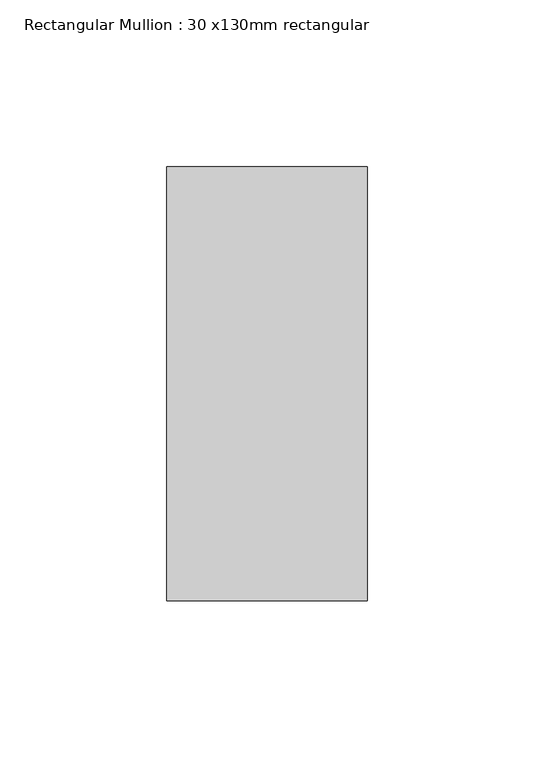
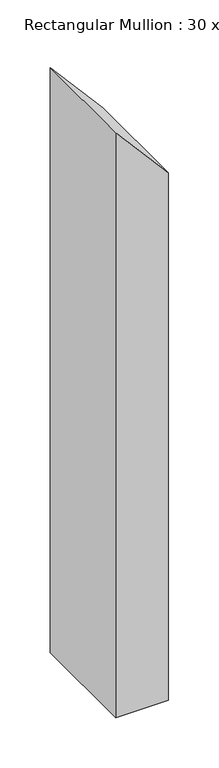
"""IFC4 building model written with IfcOpenShell, lengths in millimetres: member geometry, Rectangular Mullion : 30 x130mm rectangular."""

from ifc_helpers import new_model, si_unit, frame, origin, place, context, project, spatial, polyline, outline, extrude, source, transform, mapped, element, save


def rectangular_mullion_30_x130mm_rectangular_40ca3898(model_context):
    return source(origin(), model_context, "Body", "SweptSolid", [
        extrude(outline(polyline([(-126.2925301, 30.0), (-57.0104977, -30.0), (-765.356798, -30.0), (-765.356798, 30.0), (-126.2925301, 30.0)])), frame((0.0, -65.0, 0.0), z_axis=(0.0, 1.0, 0.0), x_axis=(0.0, 0.0, 1.0)), (0.0, 0.0, 1.0), 130.0),
    ])


if __name__ == "__main__":
    model = new_model("IFC4")
    model_context = context("Model", 3, world=origin())
    ifc_project = project(units=[si_unit("LENGTHUNIT", "METRE", prefix="MILLI")], contexts=[model_context])
    site = spatial("IfcSite", under=ifc_project)
    building = spatial("IfcBuilding", under=site)
    placement = place(None, origin())
    rectangular_mullion_30_x130mm_rectangular_shape = rectangular_mullion_30_x130mm_rectangular_40ca3898(model_context)
    element("IfcMember", 1, ObjectType="Rectangular Mullion : 30 x130mm rectangular", at=placement, inside=building, context=model_context, shape_type="MappedRepresentation", body=[
        mapped(rectangular_mullion_30_x130mm_rectangular_shape, transform((0.0, 0.0, 0.0), x_axis=(1.0, 0.0, 0.0), y_axis=(0.0, 1.0, 0.0), z_axis=(0.0, 0.0, 1.0))),
    ])
    save(model, "model.ifc")
